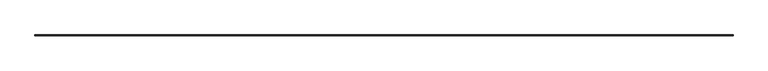
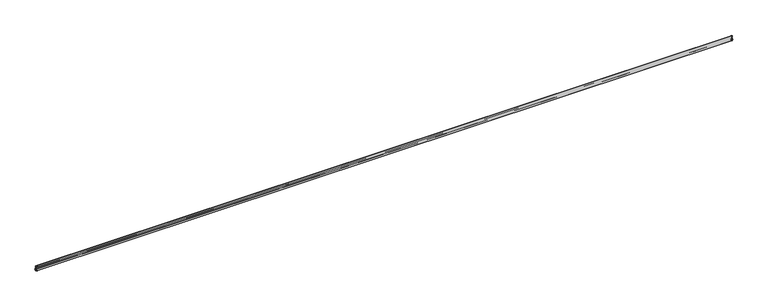
"""IFC4 building model written with IfcOpenShell, lengths in millimetres: railing geometry."""

from ifc_helpers import new_model, si_unit, frame, origin, place, context, project, spatial, polyline, circle_curve, ellipse_curve, source, transform, mapped, element, save
from ifc_brep_helpers import plane_surface, cylinder_surface, revolved_surface, advanced_brep


def railing_54f53b84(model_context):
    return source(origin(), model_context, "Body", "AdvancedBrep", [
        advanced_brep(
        [(25093.6275934, 90157.5798369, 650.761873), (25089.4200358, 90157.5798369, 682.5854905), (25092.4530366, 90157.5798369, 688.7835358), (25075.4425121, 90157.5798369, 711.1645012), (25073.710694, 90157.5798369, 709.5835748), (25073.710694, 90157.5798369, 573.1308887), (25075.2981939, 90157.5798369, 571.5433888), (25092.7606932, 90157.5798369, 571.5433888), (25094.3481932, 90157.5798369, 573.1308887), (25094.3481932, 90157.5798369, 601.5153877), (25083.2356936, 90157.5798369, 601.5153877), (25083.2356936, 90157.5798369, 605.0713875), (25094.3481932, 90157.5798369, 605.0713875), (25094.3481932, 90157.5798369, 649.4319707), (6765.7937945, 90157.5798369, 650.761873), (6765.0731947, 90157.5798369, 649.4319707), (6765.0731947, 90157.5798369, 605.0713875), (6776.1856943, 90157.5798369, 605.0713875), (6776.1856943, 90157.5798369, 601.5153877), (6765.0731947, 90157.5798369, 601.5153877), (6765.0731947, 90157.5798369, 573.1308887), (6766.6606947, 90157.5798369, 571.5433888), (6784.123194, 90157.5798369, 571.5433888), (6785.710694, 90157.5798369, 573.1308887), (6785.710694, 90157.5798369, 709.5835748), (6783.9788758, 90157.5798369, 711.1645012), (6766.9683514, 90157.5798369, 688.7835358), (6770.0013521, 90157.5798369, 682.5854905), (25093.6275934, 90178.2904863, 650.761873), (25089.4200358, 90174.0829287, 682.5854905), (25092.4530366, 90177.1159295, 688.7835358), (25075.4425121, 90160.105405, 711.1645012), (25073.710694, 90158.3735869, 709.5835748), (25073.710694, 90158.3735869, 573.1308887), (25075.2981939, 90159.9610868, 571.5433888), (25092.7606932, 90177.4235861, 571.5433888), (25094.3481932, 90179.0110861, 573.1308887), (25094.3481932, 90179.0110861, 601.5153877), (25083.2356936, 90167.8985865, 601.5153877), (25083.2356936, 90167.8985865, 605.0713875), (25094.3481932, 90179.0110861, 605.0713875), (25094.3481932, 90179.0110861, 649.4319707), (6765.7937945, 90178.2904863, 650.761873), (6770.0013521, 90174.0829287, 682.5854905), (6766.9683514, 90177.1159295, 688.7835358), (6783.9788758, 90160.105405, 711.1645012), (6785.710694, 90158.3735869, 709.5835748), (6785.710694, 90158.3735869, 573.1308887), (6784.123194, 90159.9610868, 571.5433888), (6766.6606947, 90177.4235861, 571.5433888), (6765.0731947, 90179.0110861, 573.1308887), (6765.0731947, 90179.0110861, 601.5153877), (6776.1856943, 90167.8985865, 601.5153877), (6776.1856943, 90167.8985865, 605.0713875), (6765.0731947, 90179.0110861, 605.0713875), (6765.0731947, 90179.0110861, 649.4319707)],
        [
            (0, 1, circle_curve(frame((25105.1763879, 90157.5798369, 668.4787559), z_axis=(0.0, 1.0, 0.0), x_axis=(-0.7450310773324678, 0.0, 0.6670297548151974)), 21.1485837)),
            (1, 2, circle_curve(frame((25079.9581415, 90157.5798369, 691.0567681), z_axis=(0.0, -1.0, 0.0), x_axis=(0.9838500427193713, 0.0, -0.1789946743372308)), 12.6999995)),
            (2, 3, circle_curve(frame((25073.710694, 90157.5798369, 692.1933842), z_axis=(0.0, -1.0, 0.0), x_axis=(0.09090909090908855, 0.0, 0.9958591954639386)), 19.0499993)),
            (3, 4, circle_curve(frame((25075.2981939, 90157.5798369, 709.5835748), z_axis=(0.0, -1.0, 0.0), x_axis=(-1.0, 0.0, 0.0)), 1.5874999)),
            (4, 5),
            (5, 6, circle_curve(frame((25075.2981939, 90157.5798369, 573.1308887), z_axis=(0.0, -1.0, 0.0), x_axis=(-1.0, 0.0, 0.0)), 1.5874999)),
            (6, 7),
            (7, 8, circle_curve(frame((25092.7606932, 90157.5798369, 573.1308887), z_axis=(0.0, -1.0, 0.0), x_axis=(0.0, 0.0, -1.0)), 1.5874999)),
            (8, 9),
            (9, 10),
            (10, 11),
            (11, 12),
            (12, 13),
            (13, 0, circle_curve(frame((25092.7606932, 90157.5798369, 649.4319707), z_axis=(0.0, -1.0, 0.0), x_axis=(0.5460788620485111, 0.0, 0.8377337741930926)), 1.5874999)),
            (14, 15, circle_curve(frame((6766.6606947, 90157.5798369, 649.4319707), z_axis=(0.0, -1.0, 0.0), x_axis=(-0.5460788620485111, 0.0, 0.8377337741930926)), 1.5874999)),
            (15, 16),
            (16, 17),
            (17, 18),
            (18, 19),
            (19, 20),
            (20, 21, circle_curve(frame((6766.6606947, 90157.5798369, 573.1308887), z_axis=(0.0, -1.0, 0.0), x_axis=(0.0, 0.0, -1.0)), 1.5874999)),
            (21, 22),
            (22, 23, circle_curve(frame((6784.123194, 90157.5798369, 573.1308887), z_axis=(0.0, -1.0, 0.0), x_axis=(1.0, 0.0, 0.0)), 1.5874999)),
            (23, 24),
            (24, 25, circle_curve(frame((6784.123194, 90157.5798369, 709.5835748), z_axis=(0.0, -1.0, 0.0), x_axis=(1.0, 0.0, 0.0)), 1.5874999)),
            (25, 26, circle_curve(frame((6785.710694, 90157.5798369, 692.1933842), z_axis=(0.0, -1.0, 0.0), x_axis=(-0.09090909090908855, 0.0, 0.9958591954639386)), 19.0499993)),
            (26, 27, circle_curve(frame((6779.4632464, 90157.5798369, 691.0567681), z_axis=(0.0, -1.0, 0.0), x_axis=(-0.9838500427193713, 0.0, -0.1789946743372308)), 12.6999995)),
            (27, 14, circle_curve(frame((6754.245, 90157.5798369, 668.4787559), z_axis=(0.0, 1.0, 0.0), x_axis=(0.7450310773324678, 0.0, 0.6670297548151974)), 21.1485837)),
            (0, 28),
            (28, 29, ellipse_curve(frame((25105.1763879, 90189.8392808, 668.4787559), z_axis=(-0.7071067811865464, 0.7071067811865487, 0.0), x_axis=(0.7071067811865487, 0.7071067811865464, 0.0)), 29.9086139, 21.1485837)),
            (29, 1),
            (29, 30, ellipse_curve(frame((25079.9581415, 90164.6210344, 691.0567681), z_axis=(0.7071067811865464, -0.7071067811865487, 0.0), x_axis=(-0.7071067811865487, -0.7071067811865464, 0.0)), 17.9605116, 12.6999995)),
            (30, 2),
            (30, 31, ellipse_curve(frame((25073.710694, 90158.3735869, 692.1933842), z_axis=(0.7071067811865464, -0.7071067811865487, 0.0), x_axis=(-0.7071067811865487, -0.7071067811865464, 0.0)), 26.9407673, 19.0499993)),
            (31, 3),
            (31, 32, ellipse_curve(frame((25075.2981939, 90159.9610868, 709.5835748), z_axis=(0.7071067811865464, -0.7071067811865487, 0.0), x_axis=(-0.7071067811865487, -0.7071067811865464, 0.0)), 2.2450639, 1.5874999)),
            (32, 4),
            (32, 33),
            (33, 5),
            (33, 34, ellipse_curve(frame((25075.2981939, 90159.9610868, 573.1308887), z_axis=(0.7071067811865464, -0.7071067811865487, 0.0), x_axis=(-0.7071067811865487, -0.7071067811865464, 0.0)), 2.2450639, 1.5874999)),
            (34, 6),
            (34, 35),
            (35, 7),
            (35, 36, ellipse_curve(frame((25092.7606932, 90177.4235861, 573.1308887), z_axis=(0.7071067811865464, -0.7071067811865487, 0.0), x_axis=(-0.7071067811865487, -0.7071067811865464, 0.0)), 2.2450639, 1.5874999)),
            (36, 8),
            (36, 37),
            (37, 9),
            (37, 38),
            (38, 10),
            (38, 39),
            (39, 11),
            (39, 40),
            (40, 12),
            (40, 41),
            (41, 13),
            (41, 28, ellipse_curve(frame((25092.7606932, 90177.4235861, 649.4319707), z_axis=(0.7071067811865464, -0.7071067811865487, 0.0), x_axis=(-0.7071067811865487, -0.7071067811865464, 0.0)), 2.2450639, 1.5874999)),
            (28, 42),
            (42, 43, ellipse_curve(frame((6754.245, 90189.8392808, 668.4787559), z_axis=(-0.7071067811865487, -0.7071067811865464, 0.0), x_axis=(-0.7071067811865464, 0.7071067811865487, 0.0)), 29.9086139, 21.1485837)),
            (43, 29),
            (43, 44, ellipse_curve(frame((6779.4632464, 90164.6210344, 691.0567681), z_axis=(0.7071067811865487, 0.7071067811865464, 0.0), x_axis=(0.7071067811865464, -0.7071067811865487, 0.0)), 17.9605116, 12.6999995)),
            (44, 30),
            (44, 45, ellipse_curve(frame((6785.710694, 90158.3735869, 692.1933842), z_axis=(0.7071067811865487, 0.7071067811865464, 0.0), x_axis=(0.7071067811865464, -0.7071067811865487, 0.0)), 26.9407673, 19.0499993)),
            (45, 31),
            (45, 46, ellipse_curve(frame((6784.123194, 90159.9610868, 709.5835748), z_axis=(0.7071067811865487, 0.7071067811865464, 0.0), x_axis=(0.7071067811865464, -0.7071067811865487, 0.0)), 2.2450639, 1.5874999)),
            (46, 32),
            (46, 47),
            (47, 33),
            (47, 48, ellipse_curve(frame((6784.123194, 90159.9610868, 573.1308887), z_axis=(0.7071067811865487, 0.7071067811865464, 0.0), x_axis=(0.7071067811865464, -0.7071067811865487, 0.0)), 2.2450639, 1.5874999)),
            (48, 34),
            (48, 49),
            (49, 35),
            (49, 50, ellipse_curve(frame((6766.6606947, 90177.4235861, 573.1308887), z_axis=(0.7071067811865487, 0.7071067811865464, 0.0), x_axis=(0.7071067811865464, -0.7071067811865487, 0.0)), 2.2450639, 1.5874999)),
            (50, 36),
            (50, 51),
            (51, 37),
            (51, 52),
            (52, 38),
            (52, 53),
            (53, 39),
            (53, 54),
            (54, 40),
            (54, 55),
            (55, 41),
            (55, 42, ellipse_curve(frame((6766.6606947, 90177.4235861, 649.4319707), z_axis=(0.7071067811865487, 0.7071067811865464, 0.0), x_axis=(0.7071067811865464, -0.7071067811865487, 0.0)), 2.2450639, 1.5874999)),
            (42, 14),
            (27, 43),
            (26, 44),
            (25, 45),
            (24, 46),
            (23, 47),
            (22, 48),
            (21, 49),
            (20, 50),
            (19, 51),
            (18, 52),
            (17, 53),
            (16, 54),
            (15, 55),
        ],
        [
            plane_surface(frame((25073.710694, 90157.5798369, 711.2), z_axis=(0.0, -1.0, 0.0), x_axis=(0.0, 0.0, 1.0))),
            plane_surface(frame((6785.710694, 90157.5798369, 711.2), z_axis=(0.0, -1.0, 0.0), x_axis=(0.0, 0.0, -1.0))),
            revolved_surface(polyline([(25089.420035801933, 90210.98786450458, 682.5854905000997), (25089.420035801933, 90157.5798369, 682.5854905000997)]), (25105.1763879, 90157.5798369, 668.4787559), (0.0, 1.0, 0.0)),
            cylinder_surface(frame((25079.9581415, 90157.5798369, 691.0567681), z_axis=(0.0, -1.0, 0.0), x_axis=(0.9838500427193713, 0.0, -0.1789946743372308)), 12.6999995),
            cylinder_surface(frame((25073.710694, 90157.5798369, 692.1933842), z_axis=(0.0, -1.0, 0.0), x_axis=(0.09090909090908855, 0.0, 0.9958591954639386)), 19.0499993),
            cylinder_surface(frame((25075.2981939, 90157.5798369, 709.5835748), z_axis=(0.0, -1.0, 0.0), x_axis=(-1.0, 0.0, 0.0)), 1.5874999),
            plane_surface(frame((25073.710694, 90157.5798369, 709.5835748), z_axis=(-1.0, 0.0, 0.0), x_axis=(0.0, 1.0, 0.0))),
            cylinder_surface(frame((25075.2981939, 90157.5798369, 573.1308887), z_axis=(0.0, -1.0, 0.0), x_axis=(-1.0, 0.0, 0.0)), 1.5874999),
            plane_surface(frame((25075.2981939, 90157.5798369, 571.5433888), z_axis=(0.0, 0.0, -1.0), x_axis=(1.8189894495768044e-12, 1.0, 0.0))),
            cylinder_surface(frame((25092.7606932, 90157.5798369, 573.1308887), z_axis=(0.0, -1.0, 0.0), x_axis=(0.0, 0.0, -1.0)), 1.5874999),
            plane_surface(frame((25094.3481932, 90157.5798369, 573.1308887), z_axis=(1.0, 0.0, 0.0), x_axis=(0.0, 1.0, 0.0))),
            plane_surface(frame((25094.3481932, 90157.5798369, 601.5153877), z_axis=(0.0, 0.0, 1.0), x_axis=(0.0, 1.0, 0.0))),
            plane_surface(frame((25083.2356936, 90157.5798369, 601.5153877), z_axis=(1.0, 0.0, 0.0), x_axis=(0.0, 1.0, 0.0))),
            plane_surface(frame((25083.2356936, 90157.5798369, 605.0713875), z_axis=(0.0, 0.0, -1.0), x_axis=(0.0, 1.0, 0.0))),
            plane_surface(frame((25094.3481932, 90157.5798369, 605.0713875), z_axis=(1.0, 0.0, 0.0), x_axis=(0.0, 1.0, 0.0))),
            cylinder_surface(frame((25092.7606932, 90157.5798369, 649.4319707), z_axis=(0.0, -1.0000000000000002, 0.0), x_axis=(0.5460788620485111, 0.0, 0.8377337741930926)), 1.5874999),
            revolved_surface(polyline([(6733.096416295419, 90174.08292870194, 682.5854905000997), (25126.32497160458, 90174.08292870194, 682.5854905000997)]), (25073.710694, 90189.8392808, 668.4787559), (-1.0, 0.0, 0.0)),
            cylinder_surface(frame((25073.710694, 90164.6210344, 691.0567681), z_axis=(1.0, 0.0, 0.0), x_axis=(0.0, 0.9838500427193713, -0.1789946743372308)), 12.6999995),
            cylinder_surface(frame((25073.710694, 90158.3735869, 692.1933842), z_axis=(1.0, 0.0, 0.0), x_axis=(0.0, 0.09090909090908855, 0.9958591954639386)), 19.0499993),
            cylinder_surface(frame((25073.710694, 90159.9610868, 709.5835748), z_axis=(1.0, 0.0, 0.0), x_axis=(0.0, -1.0, 0.0)), 1.5874999),
            plane_surface(frame((25073.710694, 90158.3735869, 709.5835748), z_axis=(0.0, -1.0, 0.0), x_axis=(-1.0, 0.0, 0.0))),
            cylinder_surface(frame((25073.710694, 90159.9610868, 573.1308887), z_axis=(1.0, 0.0, 0.0), x_axis=(0.0, -1.0, 0.0)), 1.5874999),
            plane_surface(frame((25075.2981939, 90159.9610868, 571.5433888), z_axis=(0.0, 0.0, -1.0), x_axis=(-1.0, 0.0, 0.0))),
            cylinder_surface(frame((25073.710694, 90177.4235861, 573.1308887), z_axis=(1.0, 0.0, 0.0), x_axis=(0.0, 0.0, -1.0)), 1.5874999),
            plane_surface(frame((25094.3481932, 90179.0110861, 573.1308887), z_axis=(0.0, 1.0, 0.0), x_axis=(-1.0, 0.0, 0.0))),
            plane_surface(frame((25094.3481932, 90179.0110861, 601.5153877), z_axis=(0.0, 0.0, 1.0), x_axis=(-1.0, 0.0, 0.0))),
            plane_surface(frame((25083.2356936, 90167.8985865, 601.5153877), z_axis=(0.0, 1.0, 0.0), x_axis=(-1.0, 0.0, 0.0))),
            plane_surface(frame((25083.2356936, 90167.8985865, 605.0713875), z_axis=(0.0, 0.0, -1.0), x_axis=(-1.0, 0.0, 0.0))),
            plane_surface(frame((25094.3481932, 90179.0110861, 605.0713875), z_axis=(0.0, 1.0, 0.0), x_axis=(-1.0, 0.0, 0.0))),
            cylinder_surface(frame((25073.710694, 90177.4235861, 649.4319707), z_axis=(1.0000000000000002, 0.0, 0.0), x_axis=(0.0, 0.5460788620485111, 0.8377337741930926)), 1.5874999),
            revolved_surface(polyline([(6770.0013520980665, 90157.5798369, 682.5854905000997), (6770.0013520980665, 90210.98786450458, 682.5854905000997)]), (6754.245, 90158.3735869, 668.4787559), (0.0, -1.0, 0.0)),
            cylinder_surface(frame((6779.4632464, 90158.3735869, 691.0567681), z_axis=(0.0, 1.0, 0.0), x_axis=(-0.9838500427193713, 0.0, -0.1789946743372308)), 12.6999995),
            cylinder_surface(frame((6785.710694, 90158.3735869, 692.1933842), z_axis=(0.0, 1.0, 0.0), x_axis=(-0.09090909090908855, 0.0, 0.9958591954639386)), 19.0499993),
            cylinder_surface(frame((6784.123194, 90158.3735869, 709.5835748), z_axis=(0.0, 1.0, 0.0), x_axis=(1.0, 0.0, 0.0)), 1.5874999),
            plane_surface(frame((6785.710694, 90158.3735869, 709.5835748), z_axis=(1.0, -2.7284841053584894e-12, 0.0), x_axis=(-2.7284841053584894e-12, -1.0, 0.0))),
            cylinder_surface(frame((6784.123194, 90158.3735869, 573.1308887), z_axis=(0.0, 1.0, 0.0), x_axis=(1.0, 0.0, 0.0)), 1.5874999),
            plane_surface(frame((6784.123194, 90159.9610868, 571.5433888), z_axis=(0.0, 0.0, -1.0), x_axis=(0.0, -1.0, 0.0))),
            cylinder_surface(frame((6766.6606947, 90158.3735869, 573.1308887), z_axis=(0.0, 1.0, 0.0), x_axis=(0.0, 0.0, -1.0)), 1.5874999),
            plane_surface(frame((6765.0731947, 90179.0110861, 573.1308887), z_axis=(-1.0, 0.0, 0.0), x_axis=(0.0, -1.0, 0.0))),
            plane_surface(frame((6765.0731947, 90179.0110861, 601.5153877), z_axis=(0.0, 0.0, 1.0), x_axis=(0.0, -1.0, 0.0))),
            plane_surface(frame((6776.1856943, 90167.8985865, 601.5153877), z_axis=(-1.0, 0.0, 0.0), x_axis=(0.0, -1.0, 0.0))),
            plane_surface(frame((6776.1856943, 90167.8985865, 605.0713875), z_axis=(0.0, 0.0, -1.0), x_axis=(0.0, -1.0, 0.0))),
            plane_surface(frame((6765.0731947, 90179.0110861, 605.0713875), z_axis=(-1.0, 0.0, 0.0), x_axis=(0.0, -1.0, 0.0))),
            cylinder_surface(frame((6766.6606947, 90158.3735869, 649.4319707), z_axis=(0.0, 1.0000000000000002, 0.0), x_axis=(-0.5460788620485111, 0.0, 0.8377337741930926)), 1.5874999),
        ],
        [
            (0, [[1, 2, 3, 4, 5, 6, 7, 8, 9, 10, 11, 12, 13, 14]]),
            (1, [[15, 16, 17, 18, 19, 20, 21, 22, 23, 24, 25, 26, 27, 28]]),
            (2, [[-1, 29, 30, 31]]),
            (3, [[-2, -31, 32, 33]]),
            (4, [[-3, -33, 34, 35]]),
            (5, [[-4, -35, 36, 37]]),
            (6, [[-5, -37, 38, 39]]),
            (7, [[-6, -39, 40, 41]]),
            (8, [[-7, -41, 42, 43]]),
            (9, [[-8, -43, 44, 45]]),
            (10, [[-9, -45, 46, 47]]),
            (11, [[-10, -47, 48, 49]]),
            (12, [[-11, -49, 50, 51]]),
            (13, [[-12, -51, 52, 53]]),
            (14, [[-13, -53, 54, 55]]),
            (15, [[-14, -55, 56, -29]]),
            (16, [[-30, 57, 58, 59]]),
            (17, [[-32, -59, 60, 61]]),
            (18, [[-34, -61, 62, 63]]),
            (19, [[-36, -63, 64, 65]]),
            (20, [[-38, -65, 66, 67]]),
            (21, [[-40, -67, 68, 69]]),
            (22, [[-42, -69, 70, 71]]),
            (23, [[-44, -71, 72, 73]]),
            (24, [[-46, -73, 74, 75]]),
            (25, [[-48, -75, 76, 77]]),
            (26, [[-50, -77, 78, 79]]),
            (27, [[-52, -79, 80, 81]]),
            (28, [[-54, -81, 82, 83]]),
            (29, [[-56, -83, 84, -57]]),
            (30, [[-58, 85, -28, 86]]),
            (31, [[-60, -86, -27, 87]]),
            (32, [[-62, -87, -26, 88]]),
            (33, [[-64, -88, -25, 89]]),
            (34, [[-66, -89, -24, 90]]),
            (35, [[-68, -90, -23, 91]]),
            (36, [[-70, -91, -22, 92]]),
            (37, [[-72, -92, -21, 93]]),
            (38, [[-74, -93, -20, 94]]),
            (39, [[-76, -94, -19, 95]]),
            (40, [[-78, -95, -18, 96]]),
            (41, [[-80, -96, -17, 97]]),
            (42, [[-82, -97, -16, 98]]),
            (43, [[-84, -98, -15, -85]]),
        ],
    ),
        advanced_brep(
        [(25094.1957932, 90157.5798369, 593.6183503), (25094.1957932, 90157.5798369, 612.9684249), (25094.1957932, 90157.5798369, 604.1823876), (25092.2526933, 90157.5798369, 604.1823876), (25092.2526933, 90157.5798369, 605.2491875), (25091.1858933, 90157.5798369, 604.1823876), (25090.1297174, 90157.5798369, 604.1823876), (25090.1297174, 90157.5798369, 605.2491875), (25089.0629174, 90157.5798369, 604.1823876), (25088.0067415, 90157.5798369, 604.1823876), (25088.0067415, 90157.5798369, 605.2491875), (25086.2201935, 90157.5798369, 603.2933876), (25088.0067415, 90157.5798369, 601.3375877), (25088.0067415, 90157.5798369, 602.4043876), (25089.0629174, 90157.5798369, 602.4043876), (25090.1297174, 90157.5798369, 601.3375877), (25090.1297174, 90157.5798369, 602.4043876), (25091.1858933, 90157.5798369, 602.4043876), (25092.2526933, 90157.5798369, 601.3375877), (25092.2526933, 90157.5798369, 602.4043876), (25094.1957932, 90157.5798369, 602.4043876), (6765.2255947, 90157.5798369, 593.6183503), (6765.2255947, 90157.5798369, 602.4043876), (6767.1686947, 90157.5798369, 602.4043876), (6767.1686947, 90157.5798369, 601.3375877), (6768.2354946, 90157.5798369, 602.4043876), (6769.2916705, 90157.5798369, 602.4043876), (6769.2916705, 90157.5798369, 601.3375877), (6770.3584705, 90157.5798369, 602.4043876), (6771.4146464, 90157.5798369, 602.4043876), (6771.4146464, 90157.5798369, 601.3375877), (6773.2011944, 90157.5798369, 603.2933876), (6771.4146464, 90157.5798369, 605.2491875), (6771.4146464, 90157.5798369, 604.1823876), (6770.3584705, 90157.5798369, 604.1823876), (6769.2916705, 90157.5798369, 605.2491875), (6769.2916705, 90157.5798369, 604.1823876), (6768.2354946, 90157.5798369, 604.1823876), (6767.1686947, 90157.5798369, 605.2491875), (6767.1686947, 90157.5798369, 604.1823876), (6765.2255947, 90157.5798369, 604.1823876), (6765.2255947, 90157.5798369, 612.9684249), (25094.1957932, 90178.8586861, 593.6183503), (25094.1957932, 90178.8586861, 612.9684249), (25094.1957932, 90178.8586861, 604.1823876), (25092.2526933, 90176.9155861, 604.1823876), (25092.2526933, 90176.9155861, 605.2491875), (25091.1858933, 90175.8487862, 604.1823876), (25090.1297174, 90174.7926103, 604.1823876), (25090.1297174, 90174.7926103, 605.2491875), (25089.0629174, 90173.7258103, 604.1823876), (25088.0067415, 90172.6696344, 604.1823876), (25088.0067415, 90172.6696344, 605.2491875), (25086.2201935, 90170.8830864, 603.2933876), (25088.0067415, 90172.6696344, 601.3375877), (25088.0067415, 90172.6696344, 602.4043876), (25089.0629174, 90173.7258103, 602.4043876), (25090.1297174, 90174.7926103, 601.3375877), (25090.1297174, 90174.7926103, 602.4043876), (25091.1858933, 90175.8487862, 602.4043876), (25092.2526933, 90176.9155861, 601.3375877), (25092.2526933, 90176.9155861, 602.4043876), (25094.1957932, 90178.8586861, 602.4043876), (6765.2255947, 90178.8586861, 593.6183503), (6765.2255947, 90178.8586861, 612.9684249), (6765.2255947, 90178.8586861, 604.1823876), (6767.1686947, 90176.9155861, 604.1823876), (6767.1686947, 90176.9155861, 605.2491875), (6768.2354946, 90175.8487862, 604.1823876), (6769.2916705, 90174.7926103, 604.1823876), (6769.2916705, 90174.7926103, 605.2491875), (6770.3584705, 90173.7258103, 604.1823876), (6771.4146464, 90172.6696344, 604.1823876), (6771.4146464, 90172.6696344, 605.2491875), (6773.2011944, 90170.8830864, 603.2933876), (6771.4146464, 90172.6696344, 601.3375877), (6771.4146464, 90172.6696344, 602.4043876), (6770.3584705, 90173.7258103, 602.4043876), (6769.2916705, 90174.7926103, 601.3375877), (6769.2916705, 90174.7926103, 602.4043876), (6768.2354946, 90175.8487862, 602.4043876), (6767.1686947, 90176.9155861, 601.3375877), (6767.1686947, 90176.9155861, 602.4043876), (6765.2255947, 90178.8586861, 602.4043876)],
        [
            (0, 1, circle_curve(frame((25091.2069421, 90157.5798369, 603.2933876), z_axis=(0.0, -1.0, 0.0), x_axis=(-1.0, 0.0, 0.0)), 10.1261828)),
            (1, 2),
            (2, 3),
            (3, 4),
            (4, 5),
            (5, 6),
            (6, 7),
            (7, 8),
            (8, 9),
            (9, 10),
            (10, 11),
            (11, 12),
            (12, 13),
            (13, 14),
            (14, 15),
            (15, 16),
            (16, 17),
            (17, 18),
            (18, 19),
            (19, 20),
            (20, 0),
            (21, 22),
            (22, 23),
            (23, 24),
            (24, 25),
            (25, 26),
            (26, 27),
            (27, 28),
            (28, 29),
            (29, 30),
            (30, 31),
            (31, 32),
            (32, 33),
            (33, 34),
            (34, 35),
            (35, 36),
            (36, 37),
            (37, 38),
            (38, 39),
            (39, 40),
            (40, 41),
            (41, 21, circle_curve(frame((6768.2144458, 90157.5798369, 603.2933876), z_axis=(0.0, -1.0, 0.0), x_axis=(1.0, 0.0, 0.0)), 10.1261828)),
            (0, 42),
            (42, 43, ellipse_curve(frame((25091.2069421, 90175.869835, 603.2933876), z_axis=(0.7071067811865464, -0.7071067811865487, 0.0), x_axis=(-0.7071067811865487, -0.7071067811865464, 0.0)), 14.320585, 10.1261828)),
            (43, 1),
            (43, 44),
            (44, 2),
            (44, 45),
            (45, 3),
            (45, 46),
            (46, 4),
            (46, 47),
            (47, 5),
            (47, 48),
            (48, 6),
            (48, 49),
            (49, 7),
            (49, 50),
            (50, 8),
            (50, 51),
            (51, 9),
            (51, 52),
            (52, 10),
            (52, 53),
            (53, 11),
            (53, 54),
            (54, 12),
            (54, 55),
            (55, 13),
            (55, 56),
            (56, 14),
            (56, 57),
            (57, 15),
            (57, 58),
            (58, 16),
            (58, 59),
            (59, 17),
            (59, 60),
            (60, 18),
            (60, 61),
            (61, 19),
            (61, 62),
            (62, 20),
            (62, 42),
            (42, 63),
            (63, 64, ellipse_curve(frame((6768.2144458, 90175.869835, 603.2933876), z_axis=(0.7071067811865487, 0.7071067811865464, 0.0), x_axis=(0.7071067811865464, -0.7071067811865487, 0.0)), 14.320585, 10.1261828)),
            (64, 43),
            (64, 65),
            (65, 44),
            (65, 66),
            (66, 45),
            (66, 67),
            (67, 46),
            (67, 68),
            (68, 47),
            (68, 69),
            (69, 48),
            (69, 70),
            (70, 49),
            (70, 71),
            (71, 50),
            (71, 72),
            (72, 51),
            (72, 73),
            (73, 52),
            (73, 74),
            (74, 53),
            (74, 75),
            (75, 54),
            (75, 76),
            (76, 55),
            (76, 77),
            (77, 56),
            (77, 78),
            (78, 57),
            (78, 79),
            (79, 58),
            (79, 80),
            (80, 59),
            (80, 81),
            (81, 60),
            (81, 82),
            (82, 61),
            (82, 83),
            (83, 62),
            (83, 63),
            (63, 21),
            (41, 64),
            (40, 65),
            (39, 66),
            (38, 67),
            (37, 68),
            (36, 69),
            (35, 70),
            (34, 71),
            (33, 72),
            (32, 73),
            (31, 74),
            (30, 75),
            (29, 76),
            (28, 77),
            (27, 78),
            (26, 79),
            (25, 80),
            (24, 81),
            (23, 82),
            (22, 83),
        ],
        [
            plane_surface(frame((25073.710694, 90157.5798369, 711.2), z_axis=(0.0, -1.0, 0.0), x_axis=(0.0, 0.0, 1.0))),
            plane_surface(frame((6785.710694, 90157.5798369, 711.2), z_axis=(0.0, -1.0, 0.0), x_axis=(0.0, 0.0, -1.0))),
            cylinder_surface(frame((25091.2069421, 90157.5798369, 603.2933876), z_axis=(0.0, -1.0, 0.0), x_axis=(-1.0, 0.0, 0.0)), 10.1261828),
            plane_surface(frame((25094.1957932, 90157.5798369, 612.9684249), z_axis=(-1.0, 0.0, 0.0), x_axis=(0.0, 1.0, 0.0))),
            plane_surface(frame((25094.1957932, 90157.5798369, 604.1823876), z_axis=(0.0, 0.0, 1.0), x_axis=(0.0, 1.0, 0.0))),
            plane_surface(frame((25092.2526933, 90157.5798369, 604.1823876), z_axis=(1.0, 0.0, 0.0), x_axis=(0.0, 1.0, 0.0))),
            plane_surface(frame((25092.2526933, 90157.5798369, 605.2491875), z_axis=(-0.707106781186549, 0.0, 0.7071067811865461), x_axis=(0.0, 1.0, 0.0))),
            plane_surface(frame((25091.1858933, 90157.5798369, 604.1823876), z_axis=(0.0, 0.0, 1.0), x_axis=(0.0, 1.0, 0.0))),
            plane_surface(frame((25090.1297174, 90157.5798369, 604.1823876), z_axis=(1.0, 0.0, 0.0), x_axis=(0.0, 1.0, 0.0))),
            plane_surface(frame((25090.1297174, 90157.5798369, 605.2491875), z_axis=(-0.707106781186549, 0.0, 0.7071067811865461), x_axis=(0.0, 1.0, 0.0))),
            plane_surface(frame((25089.0629174, 90157.5798369, 604.1823876), z_axis=(0.0, 0.0, 1.0), x_axis=(0.0, 1.0, 0.0))),
            plane_surface(frame((25088.0067415, 90157.5798369, 604.1823876), z_axis=(1.0, 0.0, 0.0), x_axis=(0.0, 1.0, 0.0))),
            plane_surface(frame((25088.0067415, 90157.5798369, 605.2491875), z_axis=(-0.7383317776039856, 0.0, 0.6744376814651885), x_axis=(0.0, 1.0, 0.0))),
            plane_surface(frame((25086.2201935, 90157.5798369, 603.2933876), z_axis=(-0.7383317776039856, 0.0, -0.6744376814651885), x_axis=(0.0, 1.0, 0.0))),
            plane_surface(frame((25088.0067415, 90157.5798369, 601.3375877), z_axis=(1.0, 0.0, 0.0), x_axis=(0.0, 1.0, 0.0))),
            plane_surface(frame((25088.0067415, 90157.5798369, 602.4043876), z_axis=(0.0, 0.0, -1.0), x_axis=(0.0, 1.0, 0.0))),
            plane_surface(frame((25089.0629174, 90157.5798369, 602.4043876), z_axis=(-0.707106781186549, 0.0, -0.7071067811865461), x_axis=(0.0, 1.0, 0.0))),
            plane_surface(frame((25090.1297174, 90157.5798369, 601.3375877), z_axis=(1.0, 0.0, 0.0), x_axis=(0.0, 1.0, 0.0))),
            plane_surface(frame((25090.1297174, 90157.5798369, 602.4043876), z_axis=(0.0, 0.0, -1.0), x_axis=(0.0, 1.0, 0.0))),
            plane_surface(frame((25091.1858933, 90157.5798369, 602.4043876), z_axis=(-0.707106781186549, 0.0, -0.7071067811865461), x_axis=(0.0, 1.0, 0.0))),
            plane_surface(frame((25092.2526933, 90157.5798369, 601.3375877), z_axis=(1.0, 0.0, 0.0), x_axis=(0.0, 1.0, 0.0))),
            plane_surface(frame((25092.2526933, 90157.5798369, 602.4043876), z_axis=(0.0, 0.0, -1.0), x_axis=(0.0, 1.0, 0.0))),
            plane_surface(frame((25094.1957932, 90157.5798369, 602.4043876), z_axis=(-1.0, 0.0, 0.0), x_axis=(0.0, 1.0, 0.0))),
            cylinder_surface(frame((25073.710694, 90175.869835, 603.2933876), z_axis=(1.0, 0.0, 0.0), x_axis=(0.0, -1.0, 0.0)), 10.1261828),
            plane_surface(frame((25094.1957932, 90178.8586861, 612.9684249), z_axis=(0.0, -1.0, 0.0), x_axis=(-1.0, 0.0, 0.0))),
            plane_surface(frame((25094.1957932, 90178.8586861, 604.1823876), z_axis=(0.0, 0.0, 1.0), x_axis=(-1.0, 0.0, 0.0))),
            plane_surface(frame((25092.2526933, 90176.9155861, 604.1823876), z_axis=(0.0, 1.0, 0.0), x_axis=(-1.0, 0.0, 0.0))),
            plane_surface(frame((25092.2526933, 90176.9155861, 605.2491875), z_axis=(0.0, -0.707106781186549, 0.7071067811865461), x_axis=(-1.0, 0.0, 0.0))),
            plane_surface(frame((25091.1858933, 90175.8487862, 604.1823876), z_axis=(0.0, 0.0, 1.0), x_axis=(-1.0, 0.0, 0.0))),
            plane_surface(frame((25090.1297174, 90174.7926103, 604.1823876), z_axis=(0.0, 1.0, 0.0), x_axis=(-1.0, 0.0, 0.0))),
            plane_surface(frame((25090.1297174, 90174.7926103, 605.2491875), z_axis=(0.0, -0.707106781186549, 0.7071067811865461), x_axis=(-1.0, 0.0, 0.0))),
            plane_surface(frame((25089.0629174, 90173.7258103, 604.1823876), z_axis=(0.0, 0.0, 1.0), x_axis=(-1.0, 0.0, 0.0))),
            plane_surface(frame((25088.0067415, 90172.6696344, 604.1823876), z_axis=(0.0, 1.0, 0.0), x_axis=(-1.0, 0.0, 0.0))),
            plane_surface(frame((25088.0067415, 90172.6696344, 605.2491875), z_axis=(0.0, -0.7383317776039856, 0.6744376814651885), x_axis=(-1.0, 0.0, 0.0))),
            plane_surface(frame((25086.2201935, 90170.8830864, 603.2933876), z_axis=(0.0, -0.7383317776039856, -0.6744376814651885), x_axis=(-1.0, 0.0, 0.0))),
            plane_surface(frame((25088.0067415, 90172.6696344, 601.3375877), z_axis=(0.0, 1.0, 0.0), x_axis=(-1.0, 0.0, 0.0))),
            plane_surface(frame((25088.0067415, 90172.6696344, 602.4043876), z_axis=(0.0, 0.0, -1.0), x_axis=(-1.0, 0.0, 0.0))),
            plane_surface(frame((25089.0629174, 90173.7258103, 602.4043876), z_axis=(0.0, -0.707106781186549, -0.7071067811865461), x_axis=(-1.0, 0.0, 0.0))),
            plane_surface(frame((25090.1297174, 90174.7926103, 601.3375877), z_axis=(0.0, 1.0, 0.0), x_axis=(-1.0, 0.0, 0.0))),
            plane_surface(frame((25090.1297174, 90174.7926103, 602.4043876), z_axis=(0.0, 0.0, -1.0), x_axis=(-1.0, 0.0, 0.0))),
            plane_surface(frame((25091.1858933, 90175.8487862, 602.4043876), z_axis=(0.0, -0.707106781186549, -0.7071067811865461), x_axis=(-1.0, 0.0, 0.0))),
            plane_surface(frame((25092.2526933, 90176.9155861, 601.3375877), z_axis=(0.0, 1.0, 0.0), x_axis=(-1.0, 0.0, 0.0))),
            plane_surface(frame((25092.2526933, 90176.9155861, 602.4043876), z_axis=(0.0, 0.0, -1.0), x_axis=(-1.0, 0.0, 0.0))),
            plane_surface(frame((25094.1957932, 90178.8586861, 602.4043876), z_axis=(0.0, -1.0, 0.0), x_axis=(-1.0, 0.0, 0.0))),
            cylinder_surface(frame((6768.2144458, 90158.3735869, 603.2933876), z_axis=(0.0, 1.0, 0.0), x_axis=(1.0, 0.0, 0.0)), 10.1261828),
            plane_surface(frame((6765.2255947, 90178.8586861, 612.9684249), z_axis=(1.0, 0.0, 0.0), x_axis=(0.0, -1.0, 0.0))),
            plane_surface(frame((6765.2255947, 90178.8586861, 604.1823876), z_axis=(0.0, 0.0, 1.0), x_axis=(0.0, -1.0, 0.0))),
            plane_surface(frame((6767.1686947, 90176.9155861, 604.1823876), z_axis=(-1.0, 0.0, 0.0), x_axis=(0.0, -1.0, 0.0))),
            plane_surface(frame((6767.1686947, 90176.9155861, 605.2491875), z_axis=(0.707106781186549, 0.0, 0.7071067811865461), x_axis=(0.0, -1.0, 0.0))),
            plane_surface(frame((6768.2354946, 90175.8487862, 604.1823876), z_axis=(0.0, 0.0, 1.0), x_axis=(0.0, -1.0, 0.0))),
            plane_surface(frame((6769.2916705, 90174.7926103, 604.1823876), z_axis=(-1.0, 0.0, 0.0), x_axis=(0.0, -1.0, 0.0))),
            plane_surface(frame((6769.2916705, 90174.7926103, 605.2491875), z_axis=(0.707106781186549, 0.0, 0.7071067811865461), x_axis=(0.0, -1.0, 0.0))),
            plane_surface(frame((6770.3584705, 90173.7258103, 604.1823876), z_axis=(0.0, 0.0, 1.0), x_axis=(0.0, -1.0, 0.0))),
            plane_surface(frame((6771.4146464, 90172.6696344, 604.1823876), z_axis=(-1.0, 0.0, 0.0), x_axis=(0.0, -1.0, 0.0))),
            plane_surface(frame((6771.4146464, 90172.6696344, 605.2491875), z_axis=(0.7383317776039856, 0.0, 0.6744376814651885), x_axis=(0.0, -1.0, 0.0))),
            plane_surface(frame((6773.2011944, 90170.8830864, 603.2933876), z_axis=(0.7383317776039856, 0.0, -0.6744376814651885), x_axis=(0.0, -1.0, 0.0))),
            plane_surface(frame((6771.4146464, 90172.6696344, 601.3375877), z_axis=(-1.0, 0.0, 0.0), x_axis=(0.0, -1.0, 0.0))),
            plane_surface(frame((6771.4146464, 90172.6696344, 602.4043876), z_axis=(0.0, 0.0, -1.0), x_axis=(0.0, -1.0, 0.0))),
            plane_surface(frame((6770.3584705, 90173.7258103, 602.4043876), z_axis=(0.707106781186549, 0.0, -0.7071067811865461), x_axis=(0.0, -1.0, 0.0))),
            plane_surface(frame((6769.2916705, 90174.7926103, 601.3375877), z_axis=(-1.0, 0.0, 0.0), x_axis=(0.0, -1.0, 0.0))),
            plane_surface(frame((6769.2916705, 90174.7926103, 602.4043876), z_axis=(0.0, 0.0, -1.0), x_axis=(0.0, -1.0, 0.0))),
            plane_surface(frame((6768.2354946, 90175.8487862, 602.4043876), z_axis=(0.707106781186549, 0.0, -0.7071067811865461), x_axis=(0.0, -1.0, 0.0))),
            plane_surface(frame((6767.1686947, 90176.9155861, 601.3375877), z_axis=(-1.0, 0.0, 0.0), x_axis=(0.0, -1.0, 0.0))),
            plane_surface(frame((6767.1686947, 90176.9155861, 602.4043876), z_axis=(0.0, 0.0, -1.0), x_axis=(0.0, -1.0, 0.0))),
            plane_surface(frame((6765.2255947, 90178.8586861, 602.4043876), z_axis=(1.0, 0.0, 0.0), x_axis=(0.0, -1.0, 0.0))),
        ],
        [
            (0, [[1, 2, 3, 4, 5, 6, 7, 8, 9, 10, 11, 12, 13, 14, 15, 16, 17, 18, 19, 20, 21]]),
            (1, [[22, 23, 24, 25, 26, 27, 28, 29, 30, 31, 32, 33, 34, 35, 36, 37, 38, 39, 40, 41, 42]]),
            (2, [[-1, 43, 44, 45]]),
            (3, [[-2, -45, 46, 47]]),
            (4, [[-3, -47, 48, 49]]),
            (5, [[-4, -49, 50, 51]]),
            (6, [[-5, -51, 52, 53]]),
            (7, [[-6, -53, 54, 55]]),
            (8, [[-7, -55, 56, 57]]),
            (9, [[-8, -57, 58, 59]]),
            (10, [[-9, -59, 60, 61]]),
            (11, [[-10, -61, 62, 63]]),
            (12, [[-11, -63, 64, 65]]),
            (13, [[-12, -65, 66, 67]]),
            (14, [[-13, -67, 68, 69]]),
            (15, [[-14, -69, 70, 71]]),
            (16, [[-15, -71, 72, 73]]),
            (17, [[-16, -73, 74, 75]]),
            (18, [[-17, -75, 76, 77]]),
            (19, [[-18, -77, 78, 79]]),
            (20, [[-19, -79, 80, 81]]),
            (21, [[-20, -81, 82, 83]]),
            (22, [[-21, -83, 84, -43]]),
            (23, [[-44, 85, 86, 87]]),
            (24, [[-46, -87, 88, 89]]),
            (25, [[-48, -89, 90, 91]]),
            (26, [[-50, -91, 92, 93]]),
            (27, [[-52, -93, 94, 95]]),
            (28, [[-54, -95, 96, 97]]),
            (29, [[-56, -97, 98, 99]]),
            (30, [[-58, -99, 100, 101]]),
            (31, [[-60, -101, 102, 103]]),
            (32, [[-62, -103, 104, 105]]),
            (33, [[-64, -105, 106, 107]]),
            (34, [[-66, -107, 108, 109]]),
            (35, [[-68, -109, 110, 111]]),
            (36, [[-70, -111, 112, 113]]),
            (37, [[-72, -113, 114, 115]]),
            (38, [[-74, -115, 116, 117]]),
            (39, [[-76, -117, 118, 119]]),
            (40, [[-78, -119, 120, 121]]),
            (41, [[-80, -121, 122, 123]]),
            (42, [[-82, -123, 124, 125]]),
            (43, [[-84, -125, 126, -85]]),
            (44, [[-86, 127, -42, 128]]),
            (45, [[-88, -128, -41, 129]]),
            (46, [[-90, -129, -40, 130]]),
            (47, [[-92, -130, -39, 131]]),
            (48, [[-94, -131, -38, 132]]),
            (49, [[-96, -132, -37, 133]]),
            (50, [[-98, -133, -36, 134]]),
            (51, [[-100, -134, -35, 135]]),
            (52, [[-102, -135, -34, 136]]),
            (53, [[-104, -136, -33, 137]]),
            (54, [[-106, -137, -32, 138]]),
            (55, [[-108, -138, -31, 139]]),
            (56, [[-110, -139, -30, 140]]),
            (57, [[-112, -140, -29, 141]]),
            (58, [[-114, -141, -28, 142]]),
            (59, [[-116, -142, -27, 143]]),
            (60, [[-118, -143, -26, 144]]),
            (61, [[-120, -144, -25, 145]]),
            (62, [[-122, -145, -24, 146]]),
            (63, [[-124, -146, -23, 147]]),
            (64, [[-126, -147, -22, -127]]),
        ],
    ),
    ])


if __name__ == "__main__":
    model = new_model("IFC4")
    model_context = context("Model", 3, world=origin())
    ifc_project = project(units=[si_unit("LENGTHUNIT", "METRE", prefix="MILLI")], contexts=[model_context])
    site = spatial("IfcSite", under=ifc_project)
    building = spatial("IfcBuilding", under=site)
    placement = place(None, origin())
    railing_shape = railing_54f53b84(model_context)
    element("IfcRailing", 1, at=placement, inside=building, context=model_context, shape_type="MappedRepresentation", body=[
        mapped(railing_shape, transform((0.0, 0.0, 0.0), x_axis=(1.0, 0.0, 0.0), y_axis=(0.0, 1.0, 0.0), z_axis=(0.0, 0.0, 1.0))),
    ])
    save(model, "model.ifc")
